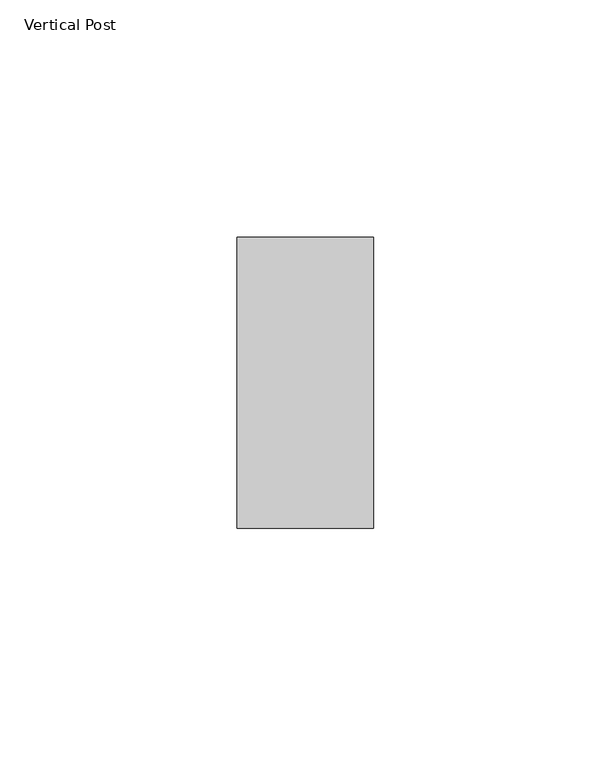
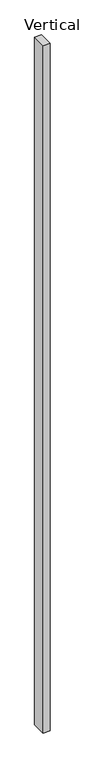
"""IFC4 building model written with IfcOpenShell, lengths in millimetres: proxy geometry, Vertical Post."""

from ifc_helpers import new_model, si_unit, origin, origin_with_axes, place, context, project, spatial, polyline, outline, extrude, source, transform, mapped, element, save


def vertical_post_325a1908(model_context):
    return source(origin(), model_context, "Body", "SweptSolid", [
        extrude(outline(polyline([(252.3900638, 53.4745375), (281.0588394, 53.4745375), (281.0588394, -7.7140625), (252.3900638, -7.7140625), (252.3900638, 53.4745375)])), origin_with_axes(), (0.0, 0.0, 1.0), 3048.0),
    ])


if __name__ == "__main__":
    model = new_model("IFC4")
    model_context = context("Model", 3, world=origin())
    ifc_project = project(units=[si_unit("LENGTHUNIT", "METRE", prefix="MILLI")], contexts=[model_context])
    site = spatial("IfcSite", under=ifc_project)
    building = spatial("IfcBuilding", under=site)
    placement = place(None, origin())
    vertical_post_shape = vertical_post_325a1908(model_context)
    element("IfcBuildingElementProxy", 1, Name="Vertical Post", ObjectType="Vertical Post", at=placement, inside=building, context=model_context, shape_type="MappedRepresentation", body=[
        mapped(vertical_post_shape, transform((0.0, 0.0, 0.0), x_axis=(1.0, 0.0, 0.0), y_axis=(0.0, 1.0, 0.0), z_axis=(0.0, 0.0, 1.0))),
    ])
    save(model, "model.ifc")
